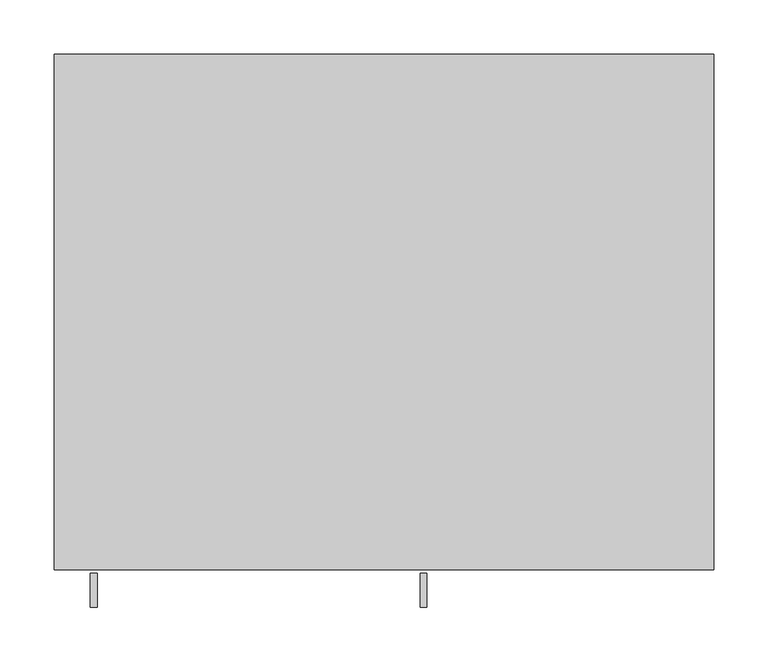
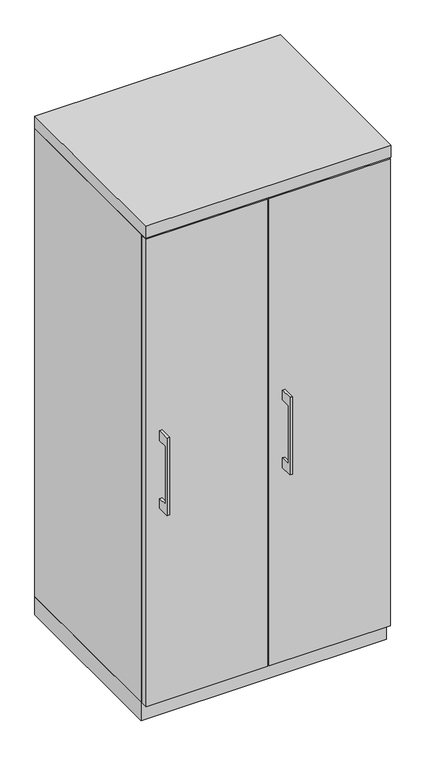
"""IFC4 building model written with IfcOpenShell, lengths in millimetres: furniture geometry."""

from ifc_helpers import new_model, si_unit, frame, origin, origin_with_axes, place, context, project, spatial, polyline, outline, extrude, source, transform, mapped, element, save


def furniture_5561248b(model_context):
    return source(origin(), model_context, "Body", "SweptSolid", [
        extrude(outline(polyline([(-479.425, 736.6), (-504.8249758, 736.6), (-504.8249758, 584.2), (-479.425, 584.2), (-479.425, 558.8), (-511.1749879, 558.8), (-511.1749879, 762.0), (-479.425, 762.0), (-479.425, 736.6)])), frame((-271.4624879, 0.0, 0.0), z_axis=(1.0, 0.0, 0.0), x_axis=(0.0, 1.0, 0.0)), (0.0, 0.0, 1.0), 6.3499758),
        extrude(outline(polyline([(-303.2125, -476.25), (-303.2125, -457.2), (-1.5875, -457.2), (-1.5875, -476.25), (-303.2125, -476.25)])), frame((0.0, 0.0, 47.625), z_axis=(0.0, 0.0, 1.0), x_axis=(1.0, 0.0, 0.0)), (0.0, 0.0, 1.0), 1225.55),
        extrude(outline(polyline([(-479.425, 736.6), (-504.8249758, 736.6), (-504.8249758, 584.2), (-479.425, 584.2), (-479.425, 558.8), (-511.1749879, 558.8), (-511.1749879, 762.0), (-479.425, 762.0), (-479.425, 736.6)])), frame((33.3375121, 0.0, 0.0), z_axis=(1.0, 0.0, 0.0), x_axis=(0.0, 1.0, 0.0)), (0.0, 0.0, 1.0), 6.3499758),
        extrude(outline(polyline([(1.5875, -476.25), (1.5875, -457.2), (303.2125, -457.2), (303.2125, -476.25), (1.5875, -476.25)])), frame((0.0, 0.0, 47.625), z_axis=(0.0, 0.0, 1.0), x_axis=(1.0, 0.0, 0.0)), (0.0, 0.0, 1.0), 1225.55),
        extrude(outline(polyline([(304.8, 0.0), (304.8, -457.2), (-304.8, -457.2), (-304.8, 0.0), (304.8, 0.0)])), origin_with_axes(), (0.0, 0.0, 1.0), 47.625),
        extrude(outline(polyline([(304.8, 0.0), (304.8, -476.25), (-304.8, -476.25), (-304.8, 0.0), (304.8, 0.0)])), frame((0.0, 0.0, 1276.35), z_axis=(0.0, 0.0, 1.0), x_axis=(1.0, 0.0, 0.0)), (0.0, 0.0, 1.0), 31.75),
        extrude(outline(polyline([(304.8, 0.0), (304.8, -457.2), (285.75, -457.2), (285.75, -19.05), (9.525, -19.05), (9.525, -457.2), (-9.525, -457.2), (-9.525, -19.05), (-285.75, -19.05), (-285.75, -457.2), (-304.8, -457.2), (-304.8, 0.0), (304.8, 0.0)])), frame((0.0, 0.0, 47.625), z_axis=(0.0, 0.0, 1.0), x_axis=(1.0, 0.0, 0.0)), (0.0, 0.0, 1.0), 1228.725),
    ])


if __name__ == "__main__":
    model = new_model("IFC4")
    model_context = context("Model", 3, world=origin())
    ifc_project = project(units=[si_unit("LENGTHUNIT", "METRE", prefix="MILLI")], contexts=[model_context])
    site = spatial("IfcSite", under=ifc_project)
    building = spatial("IfcBuilding", under=site)
    placement = place(None, origin())
    furniture_shape = furniture_5561248b(model_context)
    element("IfcFurniture", 1, at=placement, inside=building, context=model_context, shape_type="MappedRepresentation", body=[
        mapped(furniture_shape, transform((0.0, 0.0, 0.0), x_axis=(1.0, 0.0, 0.0), y_axis=(0.0, 1.0, 0.0), z_axis=(0.0, 0.0, 1.0))),
    ])
    save(model, "model.ifc")
